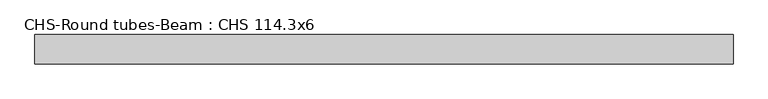
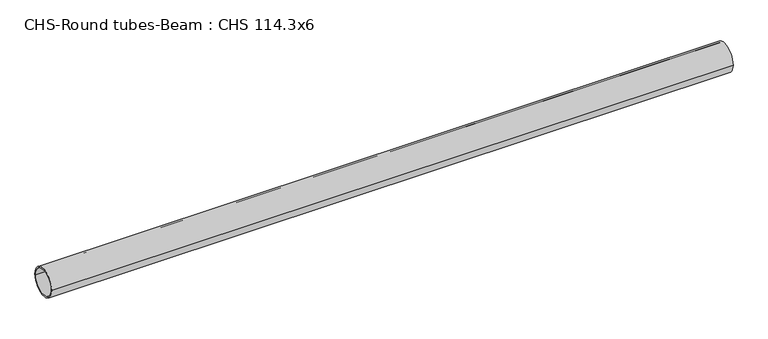
"""IFC4 building model written with IfcOpenShell, lengths in millimetres: beam geometry, CHS-Round tubes-Beam : CHS 114.3x6."""

from ifc_helpers import new_model, si_unit, point, frame, origin, origin_2d, place, context, project, spatial, circle_curve, trimmed, segment, composite_curve, outline, extrude, source, transform, mapped, element, save


def chs_round_tubes_beam_chs_114_3x6_015716e4(model_context):
    return source(origin(), model_context, "Body", "SweptSolid", [
        extrude(outline(composite_curve([segment(trimmed(circle_curve(origin_2d(), 57.15), [point((57.15, 0.0))], [point((-57.15, 0.0))], False, "CARTESIAN"), True, "CONTINUOUS"), segment(trimmed(circle_curve(origin_2d(), 57.15), [point((-57.15, 0.0))], [point((57.15, 0.0))], False, "CARTESIAN"), True, "CONTINUOUS")], self_intersect=False), holes=[composite_curve([segment(trimmed(circle_curve(origin_2d(), 51.15), [point((51.15, 0.0))], [point((-51.15, 0.0))], True, "CARTESIAN"), True, "CONTINUOUS"), segment(trimmed(circle_curve(origin_2d(), 51.15), [point((-51.15, 0.0))], [point((51.15, 0.0))], True, "CARTESIAN"), True, "CONTINUOUS")], self_intersect=False)]), frame((-1303.6970755, 0.0, 0.0), z_axis=(1.0, 0.0, 0.0), x_axis=(0.0, 1.0, 0.0)), (0.0, 0.0, 1.0), 2698.4251276),
    ])


if __name__ == "__main__":
    model = new_model("IFC4")
    model_context = context("Model", 3, world=origin())
    ifc_project = project(units=[si_unit("LENGTHUNIT", "METRE", prefix="MILLI")], contexts=[model_context])
    site = spatial("IfcSite", under=ifc_project)
    building = spatial("IfcBuilding", under=site)
    placement = place(None, origin())
    chs_round_tubes_beam_chs_114_3x6_shape = chs_round_tubes_beam_chs_114_3x6_015716e4(model_context)
    element("IfcBeam", 1, ObjectType="CHS-Round tubes-Beam : CHS 114.3x6", at=placement, inside=building, context=model_context, shape_type="MappedRepresentation", body=[
        mapped(chs_round_tubes_beam_chs_114_3x6_shape, transform((0.0, 0.0, 0.0), x_axis=(1.0, 0.0, 0.0), y_axis=(0.0, 1.0, 0.0), z_axis=(0.0, 0.0, 1.0))),
    ])
    save(model, "model.ifc")
